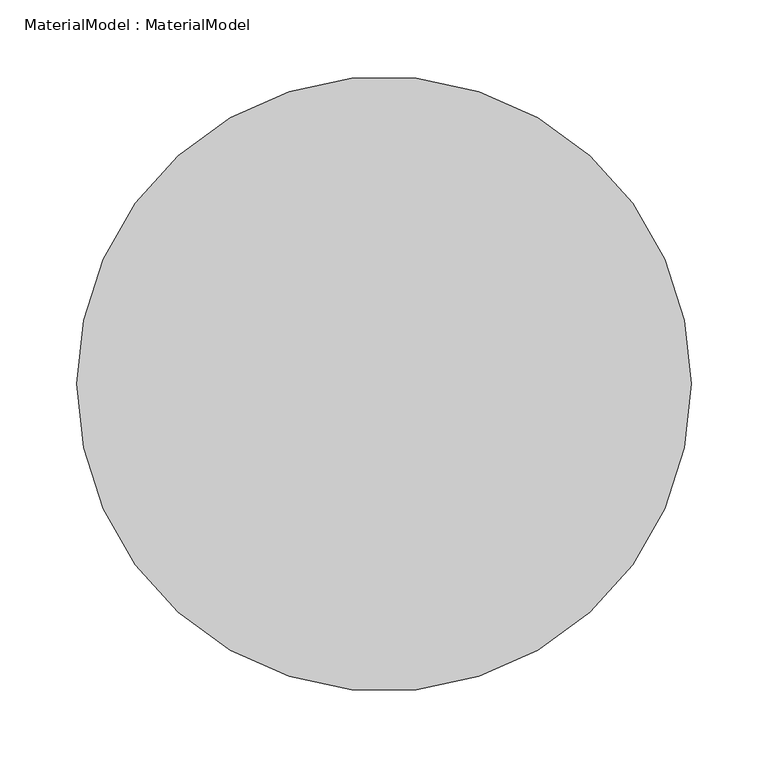
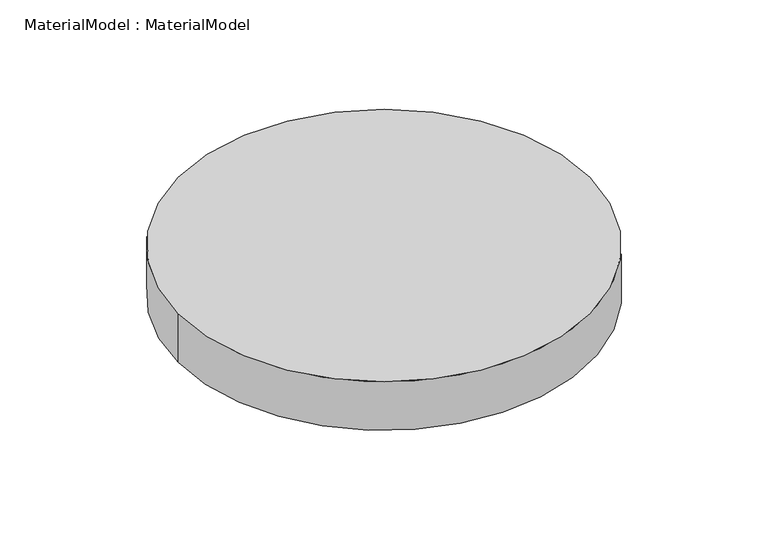
"""IFC4 building model written with IfcOpenShell, lengths in millimetres: proxy geometry, MaterialModel : MaterialModel."""

from ifc_helpers import new_model, si_unit, point, origin, origin_with_axes, origin_2d, place, context, project, spatial, circle_curve, trimmed, segment, composite_curve, outline, extrude, source, transform, mapped, element, save


def materialmodel_materialmodel_7e5ef11c(model_context):
    return source(origin(), model_context, "Body", "SweptSolid", [
        extrude(outline(composite_curve([segment(trimmed(circle_curve(origin_2d(), 200.0), [point((-200.0, 0.0))], [point((200.0, 0.0))], False, "CARTESIAN"), True, "CONTINUOUS"), segment(trimmed(circle_curve(origin_2d(), 200.0), [point((200.0, 0.0))], [point((-200.0, 0.0))], False, "CARTESIAN"), True, "CONTINUOUS")], self_intersect=False)), origin_with_axes(), (0.0, 0.0, 1.0), 50.0),
    ])


if __name__ == "__main__":
    model = new_model("IFC4")
    model_context = context("Model", 3, world=origin())
    ifc_project = project(units=[si_unit("LENGTHUNIT", "METRE", prefix="MILLI")], contexts=[model_context])
    site = spatial("IfcSite", under=ifc_project)
    building = spatial("IfcBuilding", under=site)
    placement = place(None, origin())
    materialmodel_materialmodel_shape = materialmodel_materialmodel_7e5ef11c(model_context)
    element("IfcBuildingElementProxy", 1, Name="MaterialModel : MaterialModel", ObjectType="MaterialModel : MaterialModel", at=placement, inside=building, context=model_context, shape_type="MappedRepresentation", body=[
        mapped(materialmodel_materialmodel_shape, transform((0.0, 0.0, 0.0), x_axis=(1.0, 0.0, 0.0), y_axis=(0.0, 1.0, 0.0), z_axis=(0.0, 0.0, 1.0))),
    ])
    save(model, "model.ifc")
